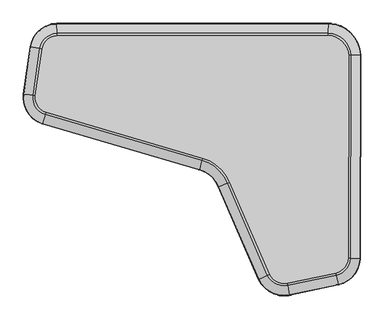
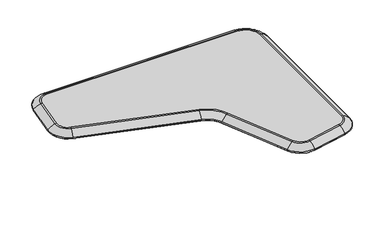
"""IFC4 building model written with IfcOpenShell, lengths in millimetres: furniture geometry."""

from ifc_helpers import new_model, si_unit, point, frame, origin, place, context, project, spatial, circle_curve, ellipse_curve, trimmed, source, transform, mapped, element, save
from ifc_brep_helpers import plane_surface, revolved_surface, advanced_brep


def furniture_55062422(model_context):
    return source(origin(), model_context, "Body", "AdvancedBrep", [
        advanced_brep(
        [(-326.2734197, 236.313272, 382.0000116), (-340.8694644, 135.3613504, 382.0000116), (-318.036121, 99.3831857, 382.0000116), (19.2076287, 0.5137168, 382.0000116), (77.9789493, -51.560041, 382.0000116), (164.0312249, -249.9087519, 382.0000116), (201.8039676, -269.2659264, 382.0000116), (306.3197361, -247.4260858, 382.0000116), (333.3066413, -215.515427, 382.0000116), (334.4394906, 221.7031439, 382.0000116), (290.4391448, 265.1286047, 382.0000116), (-294.8749357, 264.3265038, 382.0000116), (-295.2930613, 273.5770368, 354.9999882), (290.8319154, 274.380249, 354.9999882), (343.6851696, 222.2175473, 354.9999882), (342.5495304, -216.0777349, 354.9999882), (308.4088988, -256.4473157, 354.9999882), (203.502072, -278.3688727, 354.9999882), (155.6502234, -253.8465184, 354.9999882), (69.3776164, -54.989948, 354.9999882), (16.8383263, -8.4380203, 354.9999882), (-320.8751896, 90.5691696, 354.9999882), (-350.0534838, 136.5449801, 354.9999882), (-335.4165853, 237.7794621, 354.9999882), (-331.1795477, 237.1000145, 381.0864983), (-295.0992976, 269.290244, 381.0864983), (-296.0350244, 289.9920896, 366.9309372), (-351.6411148, 240.3812137, 366.9309372), (-296.0378132, 290.0537878, 363.1664435), (-351.7020969, 240.3909927, 363.1664435), (-295.3828969, 275.5645421, 355.1423835), (-337.3810224, 238.0944776, 355.1423835), (-345.7975141, 135.9964738, 381.0864983), (-366.3505081, 138.6453288, 366.9309372), (-366.4117627, 138.6532233, 363.1664435), (-352.0266984, 136.7992866, 355.1423835), (-319.5595358, 94.653676, 381.0864983), (-325.9131113, 74.9287152, 366.9309372), (-325.932047, 74.8699285, 363.1664435), (-321.4851721, 88.6754513, 355.1423835), (17.9362856, -4.2896926, 381.0864983), (12.6340037, -24.3228602, 366.9309372), (12.6182012, -24.3825655, 363.1664435), (16.3292744, -10.3613283, 355.1423835), (73.3635632, -53.4004936, 381.0864983), (54.1145678, -61.0763111, 366.9309372), (54.0571996, -61.0991876, 363.1664435), (67.5295937, -55.726874, 355.1423835), (159.5340663, -252.0217166, 381.0864983), (140.7781527, -260.8340773, 366.9309372), (140.722254, -260.860341, 363.1664435), (153.8495396, -254.6925595, 355.1423835), (202.7151528, -274.1504731, 381.0864983), (206.5153548, -294.5220332, 366.9309372), (206.5266807, -294.582747, 363.1664435), (203.8669149, -280.3246686, 355.1423835), (307.4407592, -252.2667843, 381.0864983), (312.1161138, -272.4554707, 366.9309372), (312.1300479, -272.5156395, 363.1664435), (308.8577618, -258.3855546, 355.1423835), (338.2662798, -215.8171556, 381.0864983), (358.9510192, -217.0755492, 366.9309372), (359.0126664, -217.0792996, 363.1664435), (344.5353934, -216.1985484, 355.1423835), (339.4006262, 221.9791674, 381.0864983), (360.0916089, 223.130355, 366.9309372), (360.1532747, 223.1337859, 363.1664435), (345.671632, 222.3280684, 355.1423835), (290.6499014, 270.0929412, 381.0864983), (291.5288862, 290.7972737, 366.9309372), (291.5315059, 290.8589793, 363.1664435), (290.9163034, 276.3679931, 355.1423835)],
        [
            (0, 1, circle_curve(frame((2940.3565075, -287.5206783, 382.0000116), z_axis=(0.0, 0.0, 1.0), x_axis=(-0.9873852508146507, 0.15833624497786172, 0.0)), 3308.3641107)),
            (1, 2, circle_curve(frame((-307.819268, 131.101865, 382.0000116), z_axis=(0.0, 0.0, 1.0), x_axis=(-0.9917971124491444, 0.1278220940899472, 0.0)), 33.3235457)),
            (2, 3, circle_curve(frame((1720.1229346, 6426.9396094, 382.0000116), z_axis=(0.0, 0.0, 1.0), x_axis=(-0.3065956132041128, -0.9518398657148134, 0.0)), 6647.7110821)),
            (3, 4, circle_curve(frame((-3.1361375, -83.9058646, 382.0000116), z_axis=(0.0, 0.0, -1.0), x_axis=(0.2558648059305415, 0.9667125741843469, 0.0)), 87.3264543)),
            (4, 5, circle_curve(frame((3437.3001245, 1288.0182586, 382.0000116), z_axis=(0.0, 0.0, 1.0), x_axis=(-0.9288718694858054, -0.37040120150715633, 0.0)), 3616.5603519)),
            (5, 6, circle_curve(frame((195.4401036, -235.1514666, 382.0000116), z_axis=(0.0, 0.0, 1.0), x_axis=(-0.9050779141305899, -0.42524577523241835, 0.0)), 34.7029556)),
            (6, 7, circle_curve(frame((-252.0380649, 2163.623219, 382.0000116), z_axis=(0.0, 0.0, 1.0), x_axis=(0.18338103849356904, -0.9830419089342123, 0.0)), 2474.8580129)),
            (7, 8, circle_curve(frame((298.4385244, -213.3941619, 382.0000116), z_axis=(0.0, 0.0, 1.0), x_axis=(0.22561205456829644, -0.9742172246647418, 0.0)), 34.9325828)),
            (8, 9, circle_curve(frame((-3419.9399199, 12.8201259, 382.0000116), z_axis=(0.0, 0.0, 1.0), x_axis=(0.9981545622542792, -0.06072454076374811, 0.0)), 3760.1857499)),
            (9, 10, circle_curve(frame((288.4870128, 219.1464784, 382.0000116), z_axis=(0.0, 0.0, 1.0), x_axis=(0.9984558371008476, 0.05555124984413626, 0.0)), 46.0235457)),
            (10, 11, circle_curve(frame((6.932852, -6412.8124726, 382.0000116), z_axis=(0.0, 0.0, 1.0), x_axis=(0.04241594002000567, 0.999100039051255, 0.0)), 6683.9563771)),
            (11, 0, circle_curve(frame((-293.3702422, 231.0369469, 382.0000116), z_axis=(0.0, 0.0, 1.0), x_axis=(-0.045154063049712374, 0.9989800351308842, 0.0)), 33.3235457)),
            (12, 13, circle_curve(frame((6.932852, -6412.8124726, 354.9999882), z_axis=(0.0, 0.0, -1.0), x_axis=(0.04241594002000567, 0.999100039051255, 0.0)), 6693.216355)),
            (13, 14, circle_curve(frame((288.4870128, 219.1464784, 354.9999882), z_axis=(0.0, 0.0, -1.0), x_axis=(0.9984558371008476, 0.05555124984413626, 0.0)), 55.2835236)),
            (14, 15, circle_curve(frame((-3419.9399199, 12.8201259, 354.9999882), z_axis=(0.0, 0.0, -1.0), x_axis=(0.9981545622542792, -0.06072454076374811, 0.0)), 3769.4457278)),
            (15, 16, circle_curve(frame((298.4385244, -213.3941619, 354.9999882), z_axis=(0.0, 0.0, -1.0), x_axis=(0.22561205456829644, -0.9742172246647418, 0.0)), 44.1925607)),
            (16, 17, circle_curve(frame((-252.0380649, 2163.623219, 354.9999882), z_axis=(0.0, 0.0, -1.0), x_axis=(0.18338103849356904, -0.9830419089342123, 0.0)), 2484.1179908)),
            (17, 18, circle_curve(frame((195.4401036, -235.1514666, 354.9999882), z_axis=(0.0, 0.0, -1.0), x_axis=(-0.9050779141305899, -0.42524577523241835, 0.0)), 43.9629335)),
            (18, 19, circle_curve(frame((3437.3001245, 1288.0182586, 354.9999882), z_axis=(0.0, 0.0, -1.0), x_axis=(-0.9288718694858054, -0.37040120150715633, 0.0)), 3625.8203297)),
            (19, 20, circle_curve(frame((-3.1361375, -83.9058646, 354.9999882), z_axis=(0.0, 0.0, 1.0), x_axis=(0.2558648059305415, 0.9667125741843469, 0.0)), 78.0664764)),
            (20, 21, circle_curve(frame((1720.1229346, 6426.9396094, 354.9999882), z_axis=(0.0, 0.0, -1.0), x_axis=(-0.3065956132041128, -0.9518398657148134, 0.0)), 6656.97106)),
            (21, 22, circle_curve(frame((-307.819268, 131.101865, 354.9999882), z_axis=(0.0, 0.0, -1.0), x_axis=(-0.9917971124491444, 0.1278220940899472, 0.0)), 42.5835236)),
            (22, 23, circle_curve(frame((2940.3565075, -287.5206783, 354.9999882), z_axis=(0.0, 0.0, -1.0), x_axis=(-0.9873852508146507, 0.15833624497786172, 0.0)), 3317.6240886)),
            (23, 12, circle_curve(frame((-293.3702422, 231.0369469, 354.9999882), z_axis=(0.0, 0.0, -1.0), x_axis=(-0.045154063049712374, 0.9989800351308842, 0.0)), 42.5835236)),
            (24, 0, circle_curve(frame((-326.2734197, 236.313272, 368.0300116), z_axis=(0.15833624497785626, 0.9873852508146514, 0.0), x_axis=(-0.9873852508146514, 0.15833624497785626, 0.0)), 13.97)),
            (11, 25, circle_curve(frame((-294.8749357, 264.3265038, 368.0300116), z_axis=(-0.9989800351308842, -0.04515406304971235, 0.0), x_axis=(-0.04515406304971235, 0.9989800351308842, 0.0)), 13.97)),
            (25, 24, circle_curve(frame((-293.3702422, 231.0369469, 381.0864983), z_axis=(0.0, 0.0, 1.0), x_axis=(-0.045154063049712374, 0.9989800351308842, 0.0)), 38.2923539)),
            (25, 26, circle_curve(frame((-294.2361198, 250.1934597, 330.8548383), z_axis=(-0.9989800351308842, -0.04515406304971235, 0.0), x_axis=(-0.04515406304971235, 0.9989800351308842, 0.0)), 53.7461805)),
            (26, 27, circle_curve(frame((-293.3702422, 231.0369469, 366.9309372), z_axis=(0.0, 0.0, 1.0), x_axis=(-0.045154063049712374, 0.9989800351308842, 0.0)), 59.0153363)),
            (27, 24, circle_curve(frame((-312.3044125, 234.0732141, 330.8548383), z_axis=(0.1583362449778576, 0.9873852508146512, 0.0), x_axis=(-0.9873852508146512, 0.1583362449778576, 0.0)), 53.7461805)),
            (26, 28, circle_curve(frame((-295.9394102, 287.8767381, 365.0134433), z_axis=(-0.9989800351308842, -0.04515406304971235, 0.0), x_axis=(-0.04515406304971235, 0.9989800351308842, 0.0)), 2.8566828)),
            (28, 29, circle_curve(frame((-293.3702422, 231.0369469, 363.1664435), z_axis=(0.0, 0.0, 1.0), x_axis=(-0.045154063049712374, 0.9989800351308842, 0.0)), 59.0770974)),
            (29, 27, circle_curve(frame((-349.5503154, 240.0459349, 365.0134433), z_axis=(0.15833624497785737, 0.9873852508146513, 0.0), x_axis=(-0.9873852508146513, 0.15833624497785737, 0.0)), 2.8566828)),
            (28, 30, circle_curve(frame((-295.2325717, 272.2387761, 378.2806249), z_axis=(-0.9989800351308842, -0.04515406304971235, 0.0), x_axis=(-0.04515406304971235, 0.9989800351308842, 0.0)), 23.3765168)),
            (30, 31, circle_curve(frame((-293.3702422, 231.0369469, 355.1423835), z_axis=(0.0, 0.0, 1.0), x_axis=(-0.045154063049712374, 0.9989800351308842, 0.0)), 44.5730581)),
            (31, 29, circle_curve(frame((-334.0938573, 237.5673506, 378.2806249), z_axis=(0.15833624497785626, 0.9873852508146514, 0.0), x_axis=(-0.9873852508146514, 0.15833624497785626, 0.0)), 23.3765168)),
            (30, 12, circle_curve(frame((-295.2930613, 273.5770368, 368.9699882), z_axis=(-0.9989800351308842, -0.04515406304971235, 0.0), x_axis=(-0.04515406304971235, 0.9989800351308842, 0.0)), 13.97)),
            (23, 31, circle_curve(frame((-335.4165853, 237.7794621, 368.9699882), z_axis=(0.15833624497785737, 0.9873852508146513, 0.0), x_axis=(-0.9873852508146513, 0.15833624497785737, 0.0)), 13.97)),
            (24, 32, circle_curve(frame((2940.3565075, -287.5206783, 381.0864983), z_axis=(0.0, 0.0, 1.0), x_axis=(-0.9873852508146507, 0.15833624497786172, 0.0)), 3313.3329189)),
            (32, 1, circle_curve(frame((-340.8694644, 135.3613504, 368.0300116), z_axis=(0.1278220940899731, 0.991797112449141, 0.0), x_axis=(-0.991797112449141, 0.1278220940899731, 0.0)), 13.97)),
            (27, 33, circle_curve(frame((2940.3565075, -287.5206783, 366.9309372), z_axis=(0.0, 0.0, 1.0), x_axis=(-0.9873852508146507, 0.15833624497786172, 0.0)), 3334.0559013)),
            (33, 32, circle_curve(frame((-326.8380405, 133.5529906, 330.8548383), z_axis=(0.12782209408997294, 0.991797112449141, 0.0), x_axis=(-0.991797112449141, 0.12782209408997294, 0.0)), 53.7461805)),
            (29, 34, circle_curve(frame((2940.3565075, -287.5206783, 363.1664435), z_axis=(0.0, 0.0, 1.0), x_axis=(-0.9873852508146507, 0.15833624497786172, 0.0)), 3334.1176624)),
            (34, 33, circle_curve(frame((-364.2503666, 138.3746641, 365.0134433), z_axis=(0.12782209408997294, 0.991797112449141, 0.0), x_axis=(-0.991797112449141, 0.12782209408997294, 0.0)), 2.8566828)),
            (31, 35, circle_curve(frame((2940.3565075, -287.5206783, 355.1423835), z_axis=(0.0, 0.0, 1.0), x_axis=(-0.9873852508146507, 0.15833624497786172, 0.0)), 3319.6136231)),
            (35, 34, circle_curve(frame((-348.7248455, 136.3737462, 378.2806249), z_axis=(0.12782209408997305, 0.991797112449141, 0.0), x_axis=(-0.991797112449141, 0.12782209408997305, 0.0)), 23.3765168)),
            (22, 35, circle_curve(frame((-350.0534838, 136.5449801, 368.9699882), z_axis=(0.12782209408997305, 0.991797112449141, 0.0), x_axis=(-0.991797112449141, 0.12782209408997305, 0.0)), 13.97)),
            (32, 36, circle_curve(frame((-307.819268, 131.101865, 381.0864983), z_axis=(0.0, 0.0, 1.0), x_axis=(-0.9917971124491444, 0.1278220940899472, 0.0)), 38.2923539)),
            (36, 2, circle_curve(frame((-318.036121, 99.3831857, 368.0300116), z_axis=(-0.9518398657147762, 0.30659561320422823, 0.0), x_axis=(-0.30659561320422823, -0.9518398657147762, 0.0)), 13.97)),
            (33, 37, circle_curve(frame((-307.819268, 131.101865, 366.9309372), z_axis=(0.0, 0.0, 1.0), x_axis=(-0.9917971124491444, 0.1278220940899472, 0.0)), 59.0153363)),
            (37, 36, circle_curve(frame((-313.6985675, 112.8493155, 330.8548383), z_axis=(-0.9518398657147895, 0.30659561320418705, 0.0), x_axis=(-0.30659561320418705, -0.9518398657147895, 0.0)), 53.7461805)),
            (34, 38, circle_curve(frame((-307.819268, 131.101865, 363.1664435), z_axis=(0.0, 0.0, 1.0), x_axis=(-0.9917971124491444, 0.1278220940899472, 0.0)), 59.0770974)),
            (38, 37, circle_curve(frame((-325.2638916, 76.9442469, 365.0134433), z_axis=(-0.9518398657147896, 0.3065956132041868, 0.0), x_axis=(-0.3065956132041868, -0.9518398657147896, 0.0)), 2.8566828)),
            (35, 39, circle_curve(frame((-307.819268, 131.101865, 355.1423835), z_axis=(0.0, 0.0, 1.0), x_axis=(-0.9917971124491444, 0.1278220940899472, 0.0)), 44.5730581)),
            (39, 38, circle_curve(frame((-320.4644658, 91.8442801, 378.2806249), z_axis=(-0.9518398657147806, 0.30659561320421475, 0.0), x_axis=(-0.30659561320421475, -0.9518398657147806, 0.0)), 23.3765168)),
            (21, 39, circle_curve(frame((-320.8751896, 90.5691696, 368.9699882), z_axis=(-0.9518398657147814, 0.30659561320421247, 0.0), x_axis=(-0.30659561320421247, -0.9518398657147814, 0.0)), 13.97)),
            (36, 40, circle_curve(frame((1720.1229346, 6426.9396094, 381.0864983), z_axis=(0.0, 0.0, 1.0), x_axis=(-0.3065956132041128, -0.9518398657148134, 0.0)), 6652.6798903)),
            (40, 3, circle_curve(frame((19.2076287, 0.5137168, 368.0300116), z_axis=(-0.9667125741843443, 0.25586480593055067, 0.0), x_axis=(-0.25586480593055067, -0.9667125741843443, 0.0)), 13.97)),
            (37, 41, circle_curve(frame((1720.1229346, 6426.9396094, 366.9309372), z_axis=(0.0, 0.0, 1.0), x_axis=(-0.3065956132041128, -0.9518398657148134, 0.0)), 6673.4028726)),
            (41, 40, circle_curve(frame((22.8274694, 14.1902578, 330.8548383), z_axis=(-0.9667125741843444, 0.2558648059305506, 0.0), x_axis=(-0.2558648059305506, -0.9667125741843444, 0.0)), 53.7461805)),
            (38, 42, circle_curve(frame((1720.1229346, 6426.9396094, 363.1664435), z_axis=(0.0, 0.0, 1.0), x_axis=(-0.3065956132041128, -0.9518398657148134, 0.0)), 6673.4646338)),
            (42, 41, circle_curve(frame((13.1758003, -22.2758354, 365.0134433), z_axis=(-0.9667125741843444, 0.25586480593055055, 0.0), x_axis=(-0.25586480593055055, -0.9667125741843444, 0.0)), 2.8566828)),
            (39, 43, circle_curve(frame((1720.1229346, 6426.9396094, 355.1423835), z_axis=(0.0, 0.0, 1.0), x_axis=(-0.3065956132041128, -0.9518398657148134, 0.0)), 6658.9605945)),
            (43, 42, circle_curve(frame((17.1810897, -7.1429859, 378.2806249), z_axis=(-0.9667125741843444, 0.25586480593055055, 0.0), x_axis=(-0.25586480593055055, -0.9667125741843444, 0.0)), 23.3765168)),
            (20, 43, circle_curve(frame((16.8383263, -8.4380203, 368.9699882), z_axis=(-0.9667125741843444, 0.2558648059305506, 0.0), x_axis=(-0.2558648059305506, -0.9667125741843444, 0.0)), 13.97)),
            (40, 44, circle_curve(frame((-3.1361375, -83.9058646, 381.0864983), z_axis=(0.0, 0.0, -1.0), x_axis=(0.2558648059305415, 0.9667125741843469, 0.0)), 82.3576461)),
            (44, 4, circle_curve(frame((77.9789493, -51.560041, 368.0300116), z_axis=(-0.3704012015071665, 0.9288718694858014, 0.0), x_axis=(-0.9288718694858014, -0.3704012015071665, 0.0)), 13.97)),
            (41, 45, circle_curve(frame((-3.1361375, -83.9058646, 366.9309372), z_axis=(0.0, 0.0, -1.0), x_axis=(0.2558648059305415, 0.9667125741843469, 0.0)), 61.6346637)),
            (45, 44, circle_curve(frame((91.12014, -46.3197997, 330.8548383), z_axis=(-0.37040120150716915, 0.9288718694858003, 0.0), x_axis=(-0.9288718694858003, -0.37040120150716915, 0.0)), 53.7461805)),
            (42, 46, circle_curve(frame((-3.1361375, -83.9058646, 363.1664435), z_axis=(0.0, 0.0, -1.0), x_axis=(0.2558648059305415, 0.9667125741843469, 0.0)), 61.5729026)),
            (46, 45, circle_curve(frame((56.0814644, -60.2919824, 365.0134433), z_axis=(-0.37040120150716715, 0.928871869485801, 0.0), x_axis=(-0.928871869485801, -0.37040120150716715, 0.0)), 2.8566828)),
            (43, 47, circle_curve(frame((-3.1361375, -83.9058646, 355.1423835), z_axis=(0.0, 0.0, -1.0), x_axis=(0.2558648059305415, 0.9667125741843469, 0.0)), 76.0769419)),
            (47, 46, circle_curve(frame((70.6219583, -54.4937485, 378.2806249), z_axis=(-0.37040120150716793, 0.9288718694858007, 0.0), x_axis=(-0.9288718694858007, -0.37040120150716793, 0.0)), 23.3765168)),
            (19, 47, circle_curve(frame((69.3776164, -54.989948, 368.9699882), z_axis=(-0.3704012015071686, 0.9288718694858005, 0.0), x_axis=(-0.9288718694858005, -0.3704012015071686, 0.0)), 13.97)),
            (44, 48, circle_curve(frame((3437.3001245, 1288.0182586, 381.0864983), z_axis=(0.0, 0.0, 1.0), x_axis=(-0.9288718694858054, -0.37040120150715633, 0.0)), 3621.5291601)),
            (48, 5, circle_curve(frame((164.0312249, -249.9087519, 368.0300116), z_axis=(-0.4252457752324184, 0.90507791413059, 0.0), x_axis=(-0.90507791413059, -0.4252457752324184, 0.0)), 13.97)),
            (45, 49, circle_curve(frame((3437.3001245, 1288.0182586, 366.9309372), z_axis=(0.0, 0.0, 1.0), x_axis=(-0.9288718694858054, -0.37040120150715633, 0.0)), 3642.2521424)),
            (49, 48, circle_curve(frame((176.8357912, -243.8925983, 330.8548383), z_axis=(-0.42524577523241847, 0.9050779141305899, 0.0), x_axis=(-0.9050779141305899, -0.42524577523241847, 0.0)), 53.7461805)),
            (46, 50, circle_curve(frame((3437.3001245, 1288.0182586, 363.1664435), z_axis=(0.0, 0.0, 1.0), x_axis=(-0.9288718694858054, -0.37040120150715633, 0.0)), 3642.3139036)),
            (50, 49, circle_curve(frame((142.6946653, -259.9336146, 365.0134433), z_axis=(-0.4252457752324185, 0.9050779141305899, 0.0), x_axis=(-0.9050779141305899, -0.4252457752324185, 0.0)), 2.8566828)),
            (47, 51, circle_curve(frame((3437.3001245, 1288.0182586, 355.1423835), z_axis=(0.0, 0.0, 1.0), x_axis=(-0.9288718694858054, -0.37040120150715633, 0.0)), 3627.8098643)),
            (51, 50, circle_curve(frame((156.8626903, -253.2768476, 378.2806249), z_axis=(-0.42524577523241847, 0.9050779141305899, 0.0), x_axis=(-0.9050779141305899, -0.42524577523241847, 0.0)), 23.3765168)),
            (18, 51, circle_curve(frame((155.6502234, -253.8465184, 368.9699882), z_axis=(-0.4252457752324186, 0.9050779141305899, 0.0), x_axis=(-0.9050779141305899, -0.4252457752324186, 0.0)), 13.97)),
            (48, 52, circle_curve(frame((195.4401036, -235.1514666, 381.0864983), z_axis=(0.0, 0.0, 1.0), x_axis=(-0.9050779141305899, -0.42524577523241835, 0.0)), 39.6717638)),
            (52, 6, circle_curve(frame((201.8039676, -269.2659264, 368.0300116), z_axis=(-0.9830419089342192, -0.1833810384935328, 0.0), x_axis=(0.1833810384935328, -0.9830419089342192, 0.0)), 13.97)),
            (49, 53, circle_curve(frame((195.4401036, -235.1514666, 366.9309372), z_axis=(0.0, 0.0, 1.0), x_axis=(-0.9050779141305899, -0.42524577523241835, 0.0)), 60.3947462)),
            (53, 52, circle_curve(frame((199.2095891, -255.3583665, 330.8548383), z_axis=(-0.9830419089342167, -0.18338103849354476, 0.0), x_axis=(0.18338103849354476, -0.9830419089342167, 0.0)), 53.7461805)),
            (50, 54, circle_curve(frame((195.4401036, -235.1514666, 363.1664435), z_axis=(0.0, 0.0, 1.0), x_axis=(-0.9050779141305899, -0.42524577523241835, 0.0)), 60.4565074)),
            (54, 53, circle_curve(frame((206.1270434, -292.4404309, 365.0134433), z_axis=(-0.9830419089342167, -0.18338103849354517, 0.0), x_axis=(0.18338103849354517, -0.9830419089342167, 0.0)), 2.8566828)),
            (51, 55, circle_curve(frame((195.4401036, -235.1514666, 355.1423835), z_axis=(0.0, 0.0, 1.0), x_axis=(-0.9050779141305899, -0.42524577523241835, 0.0)), 45.9524681)),
            (55, 54, circle_curve(frame((203.2564098, -277.0519631, 378.2806249), z_axis=(-0.9830419089342182, -0.183381038493538, 0.0), x_axis=(0.183381038493538, -0.9830419089342182, 0.0)), 23.3765168)),
            (17, 55, circle_curve(frame((203.502072, -278.3688727, 368.9699882), z_axis=(-0.9830419089342183, -0.18338103849353757, 0.0), x_axis=(0.18338103849353757, -0.9830419089342183, 0.0)), 13.97)),
            (52, 56, circle_curve(frame((-252.0380649, 2163.623219, 381.0864983), z_axis=(0.0, 0.0, 1.0), x_axis=(0.18338103849356904, -0.9830419089342123, 0.0)), 2479.8268211)),
            (56, 7, circle_curve(frame((306.3197361, -247.4260858, 368.0300116), z_axis=(-0.9742172246647434, -0.22561205456828987, 0.0), x_axis=(0.22561205456828987, -0.9742172246647434, 0.0)), 13.97)),
            (53, 57, circle_curve(frame((-252.0380649, 2163.623219, 366.9309372), z_axis=(0.0, 0.0, 1.0), x_axis=(0.18338103849356904, -0.9830419089342123, 0.0)), 2500.5498035)),
            (57, 56, circle_curve(frame((303.1278955, -233.6433729, 330.8548383), z_axis=(-0.9742172246647434, -0.22561205456828987, 0.0), x_axis=(0.22561205456828987, -0.9742172246647434, 0.0)), 53.7461805)),
            (54, 58, circle_curve(frame((-252.0380649, 2163.623219, 363.1664435), z_axis=(0.0, 0.0, 1.0), x_axis=(0.18338103849356904, -0.9830419089342123, 0.0)), 2500.6115647)),
            (58, 57, circle_curve(frame((311.6383777, -270.3925547, 365.0134433), z_axis=(-0.9742172246647434, -0.22561205456828987, 0.0), x_axis=(0.22561205456828987, -0.9742172246647434, 0.0)), 2.8566828)),
            (55, 59, circle_curve(frame((-252.0380649, 2163.623219, 355.1423835), z_axis=(0.0, 0.0, 1.0), x_axis=(0.18338103849356904, -0.9830419089342123, 0.0)), 2486.1075254)),
            (59, 58, circle_curve(frame((308.1066628, -255.142228, 378.2806249), z_axis=(-0.9742172246647434, -0.2256120545682899, 0.0), x_axis=(0.2256120545682899, -0.9742172246647434, 0.0)), 23.3765168)),
            (16, 59, circle_curve(frame((308.4088988, -256.4473157, 368.9699882), z_axis=(-0.9742172246647433, -0.22561205456828987, 0.0), x_axis=(0.22561205456828987, -0.9742172246647433, 0.0)), 13.97)),
            (56, 60, circle_curve(frame((298.4385244, -213.3941619, 381.0864983), z_axis=(0.0, 0.0, 1.0), x_axis=(0.22561205456829644, -0.9742172246647418, 0.0)), 39.901391)),
            (60, 8, circle_curve(frame((333.3066413, -215.515427, 368.0300116), z_axis=(-0.06072454076320166, -0.9981545622543124, 0.0), x_axis=(0.9981545622543124, -0.06072454076320166, 0.0)), 13.97)),
            (57, 61, circle_curve(frame((298.4385244, -213.3941619, 366.9309372), z_axis=(0.0, 0.0, 1.0), x_axis=(0.22561205456829644, -0.9742172246647418, 0.0)), 60.6243734)),
            (61, 60, circle_curve(frame((319.1852755, -214.6563281, 330.8548383), z_axis=(-0.06072454076338912, -0.9981545622543011, 0.0), x_axis=(0.9981545622543011, -0.06072454076338912, 0.0)), 53.7461805)),
            (58, 62, circle_curve(frame((298.4385244, -213.3941619, 363.1664435), z_axis=(0.0, 0.0, 1.0), x_axis=(0.22561205456829644, -0.9742172246647418, 0.0)), 60.6861346)),
            (62, 61, circle_curve(frame((356.8374157, -216.9469643, 365.0134433), z_axis=(-0.06072454076338976, -0.998154562254301, 0.0), x_axis=(0.998154562254301, -0.06072454076338976, 0.0)), 2.8566828)),
            (59, 63, circle_curve(frame((298.4385244, -213.3941619, 355.1423835), z_axis=(0.0, 0.0, 1.0), x_axis=(0.22561205456829644, -0.9742172246647418, 0.0)), 46.1820953)),
            (63, 62, circle_curve(frame((341.2123756, -215.9963866, 378.2806249), z_axis=(-0.06072454076327741, -0.9981545622543079, 0.0), x_axis=(0.9981545622543079, -0.06072454076327741, 0.0)), 23.3765168)),
            (15, 63, circle_curve(frame((342.5495304, -216.0777349, 368.9699882), z_axis=(-0.060724540763255036, -0.9981545622543092, 0.0), x_axis=(0.9981545622543092, -0.060724540763255036, 0.0)), 13.97)),
            (60, 64, circle_curve(frame((-3419.9399199, 12.8201259, 381.0864983), z_axis=(0.0, 0.0, 1.0), x_axis=(0.9981545622542792, -0.06072454076374811, 0.0)), 3765.1545581)),
            (64, 9, circle_curve(frame((334.4394906, 221.7031439, 368.0300116), z_axis=(0.05555124984413643, -0.9984558371008476, 0.0), x_axis=(0.9984558371008476, 0.05555124984413643, 0.0)), 13.97)),
            (61, 65, circle_curve(frame((-3419.9399199, 12.8201259, 366.9309372), z_axis=(0.0, 0.0, 1.0), x_axis=(0.9981545622542792, -0.06072454076374811, 0.0)), 3785.8775404)),
            (65, 64, circle_curve(frame((320.3138626, 220.9172341, 330.8548383), z_axis=(0.05555124984413642, -0.9984558371008476, 0.0), x_axis=(0.9984558371008476, 0.05555124984413642, 0.0)), 53.7461805)),
            (62, 66, circle_curve(frame((-3419.9399199, 12.8201259, 363.1664435), z_axis=(0.0, 0.0, 1.0), x_axis=(0.9981545622542792, -0.06072454076374811, 0.0)), 3785.9393016)),
            (66, 65, circle_curve(frame((357.9773674, 223.0127246, 365.0134433), z_axis=(0.055551249844136404, -0.9984558371008476, 0.0), x_axis=(0.9984558371008476, 0.055551249844136404, 0.0)), 2.8566828)),
            (63, 67, circle_curve(frame((-3419.9399199, 12.8201259, 355.1423835), z_axis=(0.0, 0.0, 1.0), x_axis=(0.9981545622542792, -0.06072454076374811, 0.0)), 3771.4352623)),
            (67, 66, circle_curve(frame((342.3476111, 222.1431293, 378.2806249), z_axis=(0.055551249844136445, -0.9984558371008476, 0.0), x_axis=(0.9984558371008476, 0.055551249844136445, 0.0)), 23.3765168)),
            (14, 67, circle_curve(frame((343.6851696, 222.2175473, 368.9699882), z_axis=(0.05555124984413642, -0.9984558371008476, 0.0), x_axis=(0.9984558371008476, 0.05555124984413642, 0.0)), 13.97)),
            (64, 68, circle_curve(frame((288.4870128, 219.1464784, 381.0864983), z_axis=(0.0, 0.0, 1.0), x_axis=(0.9984558371008476, 0.05555124984413626, 0.0)), 50.9923539)),
            (68, 10, circle_curve(frame((290.4391448, 265.1286047, 368.0300116), z_axis=(0.9991000390512869, -0.04241594001925698, 0.0), x_axis=(0.04241594001925698, 0.9991000390512869, 0.0)), 13.97)),
            (65, 69, circle_curve(frame((288.4870128, 219.1464784, 366.9309372), z_axis=(0.0, 0.0, 1.0), x_axis=(0.9984558371008476, 0.05555124984413626, 0.0)), 71.7153363)),
            (69, 68, circle_curve(frame((289.8390663, 250.9938629, 330.8548383), z_axis=(0.9991000390512776, -0.04241594001947329, 0.0), x_axis=(0.04241594001947329, 0.9991000390512776, 0.0)), 53.7461805)),
            (66, 70, circle_curve(frame((288.4870128, 219.1464784, 363.1664435), z_axis=(0.0, 0.0, 1.0), x_axis=(0.9984558371008476, 0.05555124984413626, 0.0)), 71.7770974)),
            (70, 69, circle_curve(frame((291.43907, 288.6816681, 365.0134433), z_axis=(0.9991000390512776, -0.04241594001947351, 0.0), x_axis=(0.04241594001947351, 0.9991000390512776, 0.0)), 2.8566828)),
            (67, 71, circle_curve(frame((288.4870128, 219.1464784, 355.1423835), z_axis=(0.0, 0.0, 1.0), x_axis=(0.9984558371008476, 0.05555124984413626, 0.0)), 57.2730581)),
            (71, 70, circle_curve(frame((290.7750939, 273.0418275, 378.2806249), z_axis=(0.9991000390512833, -0.04241594001933907, 0.0), x_axis=(0.04241594001933907, 0.9991000390512833, 0.0)), 23.3765168)),
            (13, 71, circle_curve(frame((290.8319154, 274.380249, 368.9699882), z_axis=(0.9991000390512844, -0.04241594001931444, 0.0), x_axis=(0.04241594001931444, 0.9991000390512844, 0.0)), 13.97)),
            (68, 25, circle_curve(frame((6.932852, -6412.8124726, 381.0864983), z_axis=(0.0, 0.0, 1.0), x_axis=(0.04241594002000567, 0.999100039051255, 0.0)), 6688.9251853)),
            (69, 26, circle_curve(frame((6.932852, -6412.8124726, 366.9309372), z_axis=(0.0, 0.0, 1.0), x_axis=(0.04241594002000567, 0.999100039051255, 0.0)), 6709.6481677)),
            (70, 28, circle_curve(frame((6.932852, -6412.8124726, 363.1664435), z_axis=(0.0, 0.0, 1.0), x_axis=(0.04241594002000567, 0.999100039051255, 0.0)), 6709.7099289)),
            (71, 30, circle_curve(frame((6.932852, -6412.8124726, 355.1423835), z_axis=(0.0, 0.0, 1.0), x_axis=(0.04241594002000567, 0.999100039051255, 0.0)), 6695.2058896)),
        ],
        [
            plane_surface(frame((-261.6202422, 231.0369469, 382.0000116), z_axis=(0.0, 0.0, 1.0), x_axis=(0.0, -1.0, 0.0))),
            plane_surface(frame((-261.6202422, 231.0369469, 354.9999882), z_axis=(0.0, 0.0, -1.0), x_axis=(0.0, 1.0, 0.0))),
            revolved_surface(trimmed(ellipse_curve(frame((-294.8749357, 264.3265038, 368.0300116), z_axis=(-0.9989800351308842, -0.04515406304971235, 0.0), x_axis=(-0.04515406304971235, 0.9989800351308842, 0.0)), 13.97, 13.97), [point((-294.8749357, 264.3265038, 382.0000116))], [point((-295.0992976, 269.290244, 381.0864983))], True, "CARTESIAN"), (-293.3702422, 231.0369469, 382.0000116), (0.0, 0.0, -1.0)),
            revolved_surface(trimmed(ellipse_curve(frame((-294.2361198, 250.1934597, 330.8548383), z_axis=(-0.9989800351308842, -0.04515406304971235, 0.0), x_axis=(-0.04515406304971235, 0.9989800351308842, 0.0)), 53.7461805, 53.7461805), [point((-295.0992976, 269.290244, 381.0864983))], [point((-296.0350244, 289.9920896, 366.9309372))], True, "CARTESIAN"), (-293.3702422, 231.0369469, 382.0000116), (0.0, 0.0, -1.0)),
            revolved_surface(trimmed(ellipse_curve(frame((-295.9394102, 287.8767381, 365.0134433), z_axis=(-0.9989800351308842, -0.04515406304971235, 0.0), x_axis=(-0.04515406304971235, 0.9989800351308842, 0.0)), 2.8566828, 2.8566828), [point((-296.0350244, 289.9920896, 366.9309372))], [point((-296.0378132, 290.0537878, 363.1664435))], True, "CARTESIAN"), (-293.3702422, 231.0369469, 382.0000116), (0.0, 0.0, -1.0)),
            revolved_surface(trimmed(ellipse_curve(frame((-295.2325717, 272.2387761, 378.2806249), z_axis=(-0.9989800351308842, -0.04515406304971235, 0.0), x_axis=(-0.04515406304971235, 0.9989800351308842, 0.0)), 23.3765168, 23.3765168), [point((-296.0378132, 290.0537878, 363.1664435))], [point((-295.3828969, 275.5645421, 355.1423835))], True, "CARTESIAN"), (-293.3702422, 231.0369469, 382.0000116), (0.0, 0.0, -1.0)),
            revolved_surface(trimmed(ellipse_curve(frame((-295.2930613, 273.5770368, 368.9699882), z_axis=(-0.9989800351308842, -0.04515406304971235, 0.0), x_axis=(-0.04515406304971235, 0.9989800351308842, 0.0)), 13.97, 13.97), [point((-295.3828969, 275.5645421, 355.1423835))], [point((-295.2930613, 273.5770368, 354.9999882))], True, "CARTESIAN"), (-293.3702422, 231.0369469, 382.0000116), (0.0, 0.0, -1.0)),
            revolved_surface(trimmed(ellipse_curve(frame((-326.2734197, 236.313272, 368.0300116), z_axis=(-0.15833624497786175, -0.9873852508146507, 0.0), x_axis=(-0.9873852508146507, 0.15833624497786175, 0.0)), 13.97, 13.97), [point((-326.2734197, 236.313272, 382.0000116))], [point((-331.1795477, 237.1000145, 381.0864983))], True, "CARTESIAN"), (2940.3565075, -287.5206783, 382.0000116), (0.0, 0.0, -1.0)),
            revolved_surface(trimmed(ellipse_curve(frame((-312.3044125, 234.0732141, 330.8548383), z_axis=(-0.15833624497786175, -0.9873852508146507, 0.0), x_axis=(-0.9873852508146507, 0.15833624497786175, 0.0)), 53.7461805, 53.7461805), [point((-331.1795477, 237.1000145, 381.0864983))], [point((-351.6411148, 240.3812137, 366.9309372))], True, "CARTESIAN"), (2940.3565075, -287.5206783, 382.0000116), (0.0, 0.0, -1.0)),
            revolved_surface(trimmed(ellipse_curve(frame((-349.5503154, 240.0459349, 365.0134433), z_axis=(-0.15833624497786175, -0.9873852508146507, 0.0), x_axis=(-0.9873852508146507, 0.15833624497786175, 0.0)), 2.8566828, 2.8566828), [point((-351.6411148, 240.3812137, 366.9309372))], [point((-351.7020969, 240.3909927, 363.1664435))], True, "CARTESIAN"), (2940.3565075, -287.5206783, 382.0000116), (0.0, 0.0, -1.0)),
            revolved_surface(trimmed(ellipse_curve(frame((-334.0938573, 237.5673506, 378.2806249), z_axis=(-0.15833624497786175, -0.9873852508146507, 0.0), x_axis=(-0.9873852508146507, 0.15833624497786175, 0.0)), 23.3765168, 23.3765168), [point((-351.7020969, 240.3909927, 363.1664435))], [point((-337.3810224, 238.0944776, 355.1423835))], True, "CARTESIAN"), (2940.3565075, -287.5206783, 382.0000116), (0.0, 0.0, -1.0)),
            revolved_surface(trimmed(ellipse_curve(frame((-335.4165853, 237.7794621, 368.9699882), z_axis=(-0.15833624497786175, -0.9873852508146507, 0.0), x_axis=(-0.9873852508146507, 0.15833624497786175, 0.0)), 13.97, 13.97), [point((-337.3810224, 238.0944776, 355.1423835))], [point((-335.4165853, 237.7794621, 354.9999882))], True, "CARTESIAN"), (2940.3565075, -287.5206783, 382.0000116), (0.0, 0.0, -1.0)),
            revolved_surface(trimmed(ellipse_curve(frame((-340.8694644, 135.3613504, 368.0300116), z_axis=(-0.12782209408994724, -0.9917971124491444, 0.0), x_axis=(-0.9917971124491444, 0.12782209408994724, 0.0)), 13.97, 13.97), [point((-340.8694644, 135.3613504, 382.0000116))], [point((-345.7975141, 135.9964738, 381.0864983))], True, "CARTESIAN"), (-307.819268, 131.101865, 382.0000116), (0.0, 0.0, -1.0)),
            revolved_surface(trimmed(ellipse_curve(frame((-326.8380405, 133.5529906, 330.8548383), z_axis=(-0.12782209408994724, -0.9917971124491444, 0.0), x_axis=(-0.9917971124491444, 0.12782209408994724, 0.0)), 53.7461805, 53.7461805), [point((-345.7975141, 135.9964738, 381.0864983))], [point((-366.3505081, 138.6453288, 366.9309372))], True, "CARTESIAN"), (-307.819268, 131.101865, 382.0000116), (0.0, 0.0, -1.0)),
            revolved_surface(trimmed(ellipse_curve(frame((-364.2503666, 138.3746641, 365.0134433), z_axis=(-0.12782209408994724, -0.9917971124491444, 0.0), x_axis=(-0.9917971124491444, 0.12782209408994724, 0.0)), 2.8566828, 2.8566828), [point((-366.3505081, 138.6453288, 366.9309372))], [point((-366.4117627, 138.6532233, 363.1664435))], True, "CARTESIAN"), (-307.819268, 131.101865, 382.0000116), (0.0, 0.0, -1.0)),
            revolved_surface(trimmed(ellipse_curve(frame((-348.7248455, 136.3737462, 378.2806249), z_axis=(-0.12782209408994724, -0.9917971124491444, 0.0), x_axis=(-0.9917971124491444, 0.12782209408994724, 0.0)), 23.3765168, 23.3765168), [point((-366.4117627, 138.6532233, 363.1664435))], [point((-352.0266984, 136.7992866, 355.1423835))], True, "CARTESIAN"), (-307.819268, 131.101865, 382.0000116), (0.0, 0.0, -1.0)),
            revolved_surface(trimmed(ellipse_curve(frame((-350.0534838, 136.5449801, 368.9699882), z_axis=(-0.12782209408994724, -0.9917971124491444, 0.0), x_axis=(-0.9917971124491444, 0.12782209408994724, 0.0)), 13.97, 13.97), [point((-352.0266984, 136.7992866, 355.1423835))], [point((-350.0534838, 136.5449801, 354.9999882))], True, "CARTESIAN"), (-307.819268, 131.101865, 382.0000116), (0.0, 0.0, -1.0)),
            revolved_surface(trimmed(ellipse_curve(frame((-318.036121, 99.3831857, 368.0300116), z_axis=(0.9518398657148134, -0.30659561320411294, 0.0), x_axis=(-0.30659561320411294, -0.9518398657148134, 0.0)), 13.97, 13.97), [point((-318.036121, 99.3831857, 382.0000116))], [point((-319.5595358, 94.653676, 381.0864983))], True, "CARTESIAN"), (1720.1229346, 6426.9396094, 382.0000116), (0.0, 0.0, -1.0)),
            revolved_surface(trimmed(ellipse_curve(frame((-313.6985675, 112.8493155, 330.8548383), z_axis=(0.9518398657148134, -0.30659561320411294, 0.0), x_axis=(-0.30659561320411294, -0.9518398657148134, 0.0)), 53.7461805, 53.7461805), [point((-319.5595358, 94.653676, 381.0864983))], [point((-325.9131113, 74.9287152, 366.9309372))], True, "CARTESIAN"), (1720.1229346, 6426.9396094, 382.0000116), (0.0, 0.0, -1.0)),
            revolved_surface(trimmed(ellipse_curve(frame((-325.2638916, 76.9442469, 365.0134433), z_axis=(0.9518398657148134, -0.30659561320411294, 0.0), x_axis=(-0.30659561320411294, -0.9518398657148134, 0.0)), 2.8566828, 2.8566828), [point((-325.9131113, 74.9287152, 366.9309372))], [point((-325.932047, 74.8699285, 363.1664435))], True, "CARTESIAN"), (1720.1229346, 6426.9396094, 382.0000116), (0.0, 0.0, -1.0)),
            revolved_surface(trimmed(ellipse_curve(frame((-320.4644658, 91.8442801, 378.2806249), z_axis=(0.9518398657148134, -0.30659561320411294, 0.0), x_axis=(-0.30659561320411294, -0.9518398657148134, 0.0)), 23.3765168, 23.3765168), [point((-325.932047, 74.8699285, 363.1664435))], [point((-321.4851721, 88.6754513, 355.1423835))], True, "CARTESIAN"), (1720.1229346, 6426.9396094, 382.0000116), (0.0, 0.0, -1.0)),
            revolved_surface(trimmed(ellipse_curve(frame((-320.8751896, 90.5691696, 368.9699882), z_axis=(0.9518398657148134, -0.30659561320411294, 0.0), x_axis=(-0.30659561320411294, -0.9518398657148134, 0.0)), 13.97, 13.97), [point((-321.4851721, 88.6754513, 355.1423835))], [point((-320.8751896, 90.5691696, 354.9999882))], True, "CARTESIAN"), (1720.1229346, 6426.9396094, 382.0000116), (0.0, 0.0, -1.0)),
            revolved_surface(trimmed(ellipse_curve(frame((19.2076287, 0.5137168, 368.0300116), z_axis=(0.9667125741843469, -0.2558648059305416, 0.0), x_axis=(-0.2558648059305416, -0.9667125741843469, 0.0)), 13.97, 13.97), [point((19.2076287, 0.5137168, 382.0000116))], [point((17.9362856, -4.2896926, 381.0864983))], True, "CARTESIAN"), (-3.1361375, -83.9058646, 382.0000116), (0.0, 0.0, 1.0)),
            revolved_surface(trimmed(ellipse_curve(frame((22.8274694, 14.1902578, 330.8548383), z_axis=(0.9667125741843469, -0.2558648059305416, 0.0), x_axis=(-0.2558648059305416, -0.9667125741843469, 0.0)), 53.7461805, 53.7461805), [point((17.9362856, -4.2896926, 381.0864983))], [point((12.6340037, -24.3228602, 366.9309372))], True, "CARTESIAN"), (-3.1361375, -83.9058646, 382.0000116), (0.0, 0.0, 1.0)),
            revolved_surface(trimmed(ellipse_curve(frame((13.1758003, -22.2758354, 365.0134433), z_axis=(0.9667125741843469, -0.2558648059305416, 0.0), x_axis=(-0.2558648059305416, -0.9667125741843469, 0.0)), 2.8566828, 2.8566828), [point((12.6340037, -24.3228602, 366.9309372))], [point((12.6182012, -24.3825655, 363.1664435))], True, "CARTESIAN"), (-3.1361375, -83.9058646, 382.0000116), (0.0, 0.0, 1.0)),
            revolved_surface(trimmed(ellipse_curve(frame((17.1810897, -7.1429859, 378.2806249), z_axis=(0.9667125741843469, -0.2558648059305416, 0.0), x_axis=(-0.2558648059305416, -0.9667125741843469, 0.0)), 23.3765168, 23.3765168), [point((12.6182012, -24.3825655, 363.1664435))], [point((16.3292744, -10.3613283, 355.1423835))], True, "CARTESIAN"), (-3.1361375, -83.9058646, 382.0000116), (0.0, 0.0, 1.0)),
            revolved_surface(trimmed(ellipse_curve(frame((16.8383263, -8.4380203, 368.9699882), z_axis=(0.9667125741843469, -0.2558648059305416, 0.0), x_axis=(-0.2558648059305416, -0.9667125741843469, 0.0)), 13.97, 13.97), [point((16.3292744, -10.3613283, 355.1423835))], [point((16.8383263, -8.4380203, 354.9999882))], True, "CARTESIAN"), (-3.1361375, -83.9058646, 382.0000116), (0.0, 0.0, 1.0)),
            revolved_surface(trimmed(ellipse_curve(frame((77.9789493, -51.560041, 368.0300116), z_axis=(0.3704012015071562, -0.9288718694858054, 0.0), x_axis=(-0.9288718694858054, -0.3704012015071562, 0.0)), 13.97, 13.97), [point((77.9789493, -51.560041, 382.0000116))], [point((73.3635632, -53.4004936, 381.0864983))], True, "CARTESIAN"), (3437.3001245, 1288.0182586, 382.0000116), (0.0, 0.0, -1.0)),
            revolved_surface(trimmed(ellipse_curve(frame((91.12014, -46.3197997, 330.8548383), z_axis=(0.3704012015071562, -0.9288718694858054, 0.0), x_axis=(-0.9288718694858054, -0.3704012015071562, 0.0)), 53.7461805, 53.7461805), [point((73.3635632, -53.4004936, 381.0864983))], [point((54.1145678, -61.0763111, 366.9309372))], True, "CARTESIAN"), (3437.3001245, 1288.0182586, 382.0000116), (0.0, 0.0, -1.0)),
            revolved_surface(trimmed(ellipse_curve(frame((56.0814644, -60.2919824, 365.0134433), z_axis=(0.3704012015071562, -0.9288718694858054, 0.0), x_axis=(-0.9288718694858054, -0.3704012015071562, 0.0)), 2.8566828, 2.8566828), [point((54.1145678, -61.0763111, 366.9309372))], [point((54.0571996, -61.0991876, 363.1664435))], True, "CARTESIAN"), (3437.3001245, 1288.0182586, 382.0000116), (0.0, 0.0, -1.0)),
            revolved_surface(trimmed(ellipse_curve(frame((70.6219583, -54.4937485, 378.2806249), z_axis=(0.3704012015071562, -0.9288718694858054, 0.0), x_axis=(-0.9288718694858054, -0.3704012015071562, 0.0)), 23.3765168, 23.3765168), [point((54.0571996, -61.0991876, 363.1664435))], [point((67.5295937, -55.726874, 355.1423835))], True, "CARTESIAN"), (3437.3001245, 1288.0182586, 382.0000116), (0.0, 0.0, -1.0)),
            revolved_surface(trimmed(ellipse_curve(frame((69.3776164, -54.989948, 368.9699882), z_axis=(0.3704012015071562, -0.9288718694858054, 0.0), x_axis=(-0.9288718694858054, -0.3704012015071562, 0.0)), 13.97, 13.97), [point((67.5295937, -55.726874, 355.1423835))], [point((69.3776164, -54.989948, 354.9999882))], True, "CARTESIAN"), (3437.3001245, 1288.0182586, 382.0000116), (0.0, 0.0, -1.0)),
            revolved_surface(trimmed(ellipse_curve(frame((164.0312249, -249.9087519, 368.0300116), z_axis=(0.42524577523241824, -0.9050779141305899, 0.0), x_axis=(-0.9050779141305899, -0.42524577523241824, 0.0)), 13.97, 13.97), [point((164.0312249, -249.9087519, 382.0000116))], [point((159.5340663, -252.0217166, 381.0864983))], True, "CARTESIAN"), (195.4401036, -235.1514666, 382.0000116), (0.0, 0.0, -1.0)),
            revolved_surface(trimmed(ellipse_curve(frame((176.8357912, -243.8925983, 330.8548383), z_axis=(0.42524577523241824, -0.9050779141305899, 0.0), x_axis=(-0.9050779141305899, -0.42524577523241824, 0.0)), 53.7461805, 53.7461805), [point((159.5340663, -252.0217166, 381.0864983))], [point((140.7781527, -260.8340773, 366.9309372))], True, "CARTESIAN"), (195.4401036, -235.1514666, 382.0000116), (0.0, 0.0, -1.0)),
            revolved_surface(trimmed(ellipse_curve(frame((142.6946653, -259.9336146, 365.0134433), z_axis=(0.42524577523241824, -0.9050779141305899, 0.0), x_axis=(-0.9050779141305899, -0.42524577523241824, 0.0)), 2.8566828, 2.8566828), [point((140.7781527, -260.8340773, 366.9309372))], [point((140.722254, -260.860341, 363.1664435))], True, "CARTESIAN"), (195.4401036, -235.1514666, 382.0000116), (0.0, 0.0, -1.0)),
            revolved_surface(trimmed(ellipse_curve(frame((156.8626903, -253.2768476, 378.2806249), z_axis=(0.42524577523241824, -0.9050779141305899, 0.0), x_axis=(-0.9050779141305899, -0.42524577523241824, 0.0)), 23.3765168, 23.3765168), [point((140.722254, -260.860341, 363.1664435))], [point((153.8495396, -254.6925595, 355.1423835))], True, "CARTESIAN"), (195.4401036, -235.1514666, 382.0000116), (0.0, 0.0, -1.0)),
            revolved_surface(trimmed(ellipse_curve(frame((155.6502234, -253.8465184, 368.9699882), z_axis=(0.42524577523241824, -0.9050779141305899, 0.0), x_axis=(-0.9050779141305899, -0.42524577523241824, 0.0)), 13.97, 13.97), [point((153.8495396, -254.6925595, 355.1423835))], [point((155.6502234, -253.8465184, 354.9999882))], True, "CARTESIAN"), (195.4401036, -235.1514666, 382.0000116), (0.0, 0.0, -1.0)),
            revolved_surface(trimmed(ellipse_curve(frame((201.8039676, -269.2659264, 368.0300116), z_axis=(0.9830419089342123, 0.18338103849356888, 0.0), x_axis=(0.18338103849356888, -0.9830419089342123, 0.0)), 13.97, 13.97), [point((201.8039676, -269.2659264, 382.0000116))], [point((202.7151528, -274.1504731, 381.0864983))], True, "CARTESIAN"), (-252.0380649, 2163.623219, 382.0000116), (0.0, 0.0, -1.0)),
            revolved_surface(trimmed(ellipse_curve(frame((199.2095891, -255.3583665, 330.8548383), z_axis=(0.9830419089342123, 0.18338103849356888, 0.0), x_axis=(0.18338103849356888, -0.9830419089342123, 0.0)), 53.7461805, 53.7461805), [point((202.7151528, -274.1504731, 381.0864983))], [point((206.5153548, -294.5220332, 366.9309372))], True, "CARTESIAN"), (-252.0380649, 2163.623219, 382.0000116), (0.0, 0.0, -1.0)),
            revolved_surface(trimmed(ellipse_curve(frame((206.1270434, -292.4404309, 365.0134433), z_axis=(0.9830419089342123, 0.18338103849356888, 0.0), x_axis=(0.18338103849356888, -0.9830419089342123, 0.0)), 2.8566828, 2.8566828), [point((206.5153548, -294.5220332, 366.9309372))], [point((206.5266807, -294.582747, 363.1664435))], True, "CARTESIAN"), (-252.0380649, 2163.623219, 382.0000116), (0.0, 0.0, -1.0)),
            revolved_surface(trimmed(ellipse_curve(frame((203.2564098, -277.0519631, 378.2806249), z_axis=(0.9830419089342123, 0.18338103849356888, 0.0), x_axis=(0.18338103849356888, -0.9830419089342123, 0.0)), 23.3765168, 23.3765168), [point((206.5266807, -294.582747, 363.1664435))], [point((203.8669149, -280.3246686, 355.1423835))], True, "CARTESIAN"), (-252.0380649, 2163.623219, 382.0000116), (0.0, 0.0, -1.0)),
            revolved_surface(trimmed(ellipse_curve(frame((203.502072, -278.3688727, 368.9699882), z_axis=(0.9830419089342123, 0.18338103849356888, 0.0), x_axis=(0.18338103849356888, -0.9830419089342123, 0.0)), 13.97, 13.97), [point((203.8669149, -280.3246686, 355.1423835))], [point((203.502072, -278.3688727, 354.9999882))], True, "CARTESIAN"), (-252.0380649, 2163.623219, 382.0000116), (0.0, 0.0, -1.0)),
            revolved_surface(trimmed(ellipse_curve(frame((306.3197361, -247.4260858, 368.0300116), z_axis=(0.9742172246647418, 0.22561205456829622, 0.0), x_axis=(0.22561205456829622, -0.9742172246647418, 0.0)), 13.97, 13.97), [point((306.3197361, -247.4260858, 382.0000116))], [point((307.4407592, -252.2667843, 381.0864983))], True, "CARTESIAN"), (298.4385244, -213.3941619, 382.0000116), (0.0, 0.0, -1.0)),
            revolved_surface(trimmed(ellipse_curve(frame((303.1278955, -233.6433729, 330.8548383), z_axis=(0.9742172246647418, 0.22561205456829622, 0.0), x_axis=(0.22561205456829622, -0.9742172246647418, 0.0)), 53.7461805, 53.7461805), [point((307.4407592, -252.2667843, 381.0864983))], [point((312.1161138, -272.4554707, 366.9309372))], True, "CARTESIAN"), (298.4385244, -213.3941619, 382.0000116), (0.0, 0.0, -1.0)),
            revolved_surface(trimmed(ellipse_curve(frame((311.6383777, -270.3925547, 365.0134433), z_axis=(0.9742172246647418, 0.22561205456829622, 0.0), x_axis=(0.22561205456829622, -0.9742172246647418, 0.0)), 2.8566828, 2.8566828), [point((312.1161138, -272.4554707, 366.9309372))], [point((312.1300479, -272.5156395, 363.1664435))], True, "CARTESIAN"), (298.4385244, -213.3941619, 382.0000116), (0.0, 0.0, -1.0)),
            revolved_surface(trimmed(ellipse_curve(frame((308.1066628, -255.142228, 378.2806249), z_axis=(0.9742172246647418, 0.22561205456829622, 0.0), x_axis=(0.22561205456829622, -0.9742172246647418, 0.0)), 23.3765168, 23.3765168), [point((312.1300479, -272.5156395, 363.1664435))], [point((308.8577618, -258.3855546, 355.1423835))], True, "CARTESIAN"), (298.4385244, -213.3941619, 382.0000116), (0.0, 0.0, -1.0)),
            revolved_surface(trimmed(ellipse_curve(frame((308.4088988, -256.4473157, 368.9699882), z_axis=(0.9742172246647418, 0.22561205456829622, 0.0), x_axis=(0.22561205456829622, -0.9742172246647418, 0.0)), 13.97, 13.97), [point((308.8577618, -258.3855546, 355.1423835))], [point((308.4088988, -256.4473157, 354.9999882))], True, "CARTESIAN"), (298.4385244, -213.3941619, 382.0000116), (0.0, 0.0, -1.0)),
            revolved_surface(trimmed(ellipse_curve(frame((333.3066413, -215.515427, 368.0300116), z_axis=(0.060724540763748336, 0.9981545622542792, 0.0), x_axis=(0.9981545622542792, -0.060724540763748336, 0.0)), 13.97, 13.97), [point((333.3066413, -215.515427, 382.0000116))], [point((338.2662798, -215.8171556, 381.0864983))], True, "CARTESIAN"), (-3419.9399199, 12.8201259, 382.0000116), (0.0, 0.0, -1.0)),
            revolved_surface(trimmed(ellipse_curve(frame((319.1852755, -214.6563281, 330.8548383), z_axis=(0.060724540763748336, 0.9981545622542792, 0.0), x_axis=(0.9981545622542792, -0.060724540763748336, 0.0)), 53.7461805, 53.7461805), [point((338.2662798, -215.8171556, 381.0864983))], [point((358.9510192, -217.0755492, 366.9309372))], True, "CARTESIAN"), (-3419.9399199, 12.8201259, 382.0000116), (0.0, 0.0, -1.0)),
            revolved_surface(trimmed(ellipse_curve(frame((356.8374157, -216.9469643, 365.0134433), z_axis=(0.060724540763748336, 0.9981545622542792, 0.0), x_axis=(0.9981545622542792, -0.060724540763748336, 0.0)), 2.8566828, 2.8566828), [point((358.9510192, -217.0755492, 366.9309372))], [point((359.0126664, -217.0792996, 363.1664435))], True, "CARTESIAN"), (-3419.9399199, 12.8201259, 382.0000116), (0.0, 0.0, -1.0)),
            revolved_surface(trimmed(ellipse_curve(frame((341.2123756, -215.9963866, 378.2806249), z_axis=(0.060724540763748336, 0.9981545622542792, 0.0), x_axis=(0.9981545622542792, -0.060724540763748336, 0.0)), 23.3765168, 23.3765168), [point((359.0126664, -217.0792996, 363.1664435))], [point((344.5353934, -216.1985484, 355.1423835))], True, "CARTESIAN"), (-3419.9399199, 12.8201259, 382.0000116), (0.0, 0.0, -1.0)),
            revolved_surface(trimmed(ellipse_curve(frame((342.5495304, -216.0777349, 368.9699882), z_axis=(0.060724540763748336, 0.9981545622542792, 0.0), x_axis=(0.9981545622542792, -0.060724540763748336, 0.0)), 13.97, 13.97), [point((344.5353934, -216.1985484, 355.1423835))], [point((342.5495304, -216.0777349, 354.9999882))], True, "CARTESIAN"), (-3419.9399199, 12.8201259, 382.0000116), (0.0, 0.0, -1.0)),
            revolved_surface(trimmed(ellipse_curve(frame((334.4394906, 221.7031439, 368.0300116), z_axis=(-0.055551249844136036, 0.9984558371008476, 0.0), x_axis=(0.9984558371008476, 0.055551249844136036, 0.0)), 13.97, 13.97), [point((334.4394906, 221.7031439, 382.0000116))], [point((339.4006262, 221.9791674, 381.0864983))], True, "CARTESIAN"), (288.4870128, 219.1464784, 382.0000116), (0.0, 0.0, -1.0)),
            revolved_surface(trimmed(ellipse_curve(frame((320.3138626, 220.9172341, 330.8548383), z_axis=(-0.055551249844136036, 0.9984558371008476, 0.0), x_axis=(0.9984558371008476, 0.055551249844136036, 0.0)), 53.7461805, 53.7461805), [point((339.4006262, 221.9791674, 381.0864983))], [point((360.0916089, 223.130355, 366.9309372))], True, "CARTESIAN"), (288.4870128, 219.1464784, 382.0000116), (0.0, 0.0, -1.0)),
            revolved_surface(trimmed(ellipse_curve(frame((357.9773674, 223.0127246, 365.0134433), z_axis=(-0.055551249844136036, 0.9984558371008476, 0.0), x_axis=(0.9984558371008476, 0.055551249844136036, 0.0)), 2.8566828, 2.8566828), [point((360.0916089, 223.130355, 366.9309372))], [point((360.1532747, 223.1337859, 363.1664435))], True, "CARTESIAN"), (288.4870128, 219.1464784, 382.0000116), (0.0, 0.0, -1.0)),
            revolved_surface(trimmed(ellipse_curve(frame((342.3476111, 222.1431293, 378.2806249), z_axis=(-0.055551249844136036, 0.9984558371008476, 0.0), x_axis=(0.9984558371008476, 0.055551249844136036, 0.0)), 23.3765168, 23.3765168), [point((360.1532747, 223.1337859, 363.1664435))], [point((345.671632, 222.3280684, 355.1423835))], True, "CARTESIAN"), (288.4870128, 219.1464784, 382.0000116), (0.0, 0.0, -1.0)),
            revolved_surface(trimmed(ellipse_curve(frame((343.6851696, 222.2175473, 368.9699882), z_axis=(-0.055551249844136036, 0.9984558371008476, 0.0), x_axis=(0.9984558371008476, 0.055551249844136036, 0.0)), 13.97, 13.97), [point((345.671632, 222.3280684, 355.1423835))], [point((343.6851696, 222.2175473, 354.9999882))], True, "CARTESIAN"), (288.4870128, 219.1464784, 382.0000116), (0.0, 0.0, -1.0)),
            revolved_surface(trimmed(ellipse_curve(frame((290.4391448, 265.1286047, 368.0300116), z_axis=(-0.999100039051255, 0.04241594002000589, 0.0), x_axis=(0.04241594002000589, 0.999100039051255, 0.0)), 13.97, 13.97), [point((290.4391448, 265.1286047, 382.0000116))], [point((290.6499014, 270.0929412, 381.0864983))], True, "CARTESIAN"), (6.932852, -6412.8124726, 382.0000116), (0.0, 0.0, -1.0)),
            revolved_surface(trimmed(ellipse_curve(frame((289.8390663, 250.9938629, 330.8548383), z_axis=(-0.999100039051255, 0.04241594002000589, 0.0), x_axis=(0.04241594002000589, 0.999100039051255, 0.0)), 53.7461805, 53.7461805), [point((290.6499014, 270.0929412, 381.0864983))], [point((291.5288862, 290.7972737, 366.9309372))], True, "CARTESIAN"), (6.932852, -6412.8124726, 382.0000116), (0.0, 0.0, -1.0)),
            revolved_surface(trimmed(ellipse_curve(frame((291.43907, 288.6816681, 365.0134433), z_axis=(-0.999100039051255, 0.04241594002000589, 0.0), x_axis=(0.04241594002000589, 0.999100039051255, 0.0)), 2.8566828, 2.8566828), [point((291.5288862, 290.7972737, 366.9309372))], [point((291.5315059, 290.8589793, 363.1664435))], True, "CARTESIAN"), (6.932852, -6412.8124726, 382.0000116), (0.0, 0.0, -1.0)),
            revolved_surface(trimmed(ellipse_curve(frame((290.7750939, 273.0418275, 378.2806249), z_axis=(-0.999100039051255, 0.04241594002000589, 0.0), x_axis=(0.04241594002000589, 0.999100039051255, 0.0)), 23.3765168, 23.3765168), [point((291.5315059, 290.8589793, 363.1664435))], [point((290.9163034, 276.3679931, 355.1423835))], True, "CARTESIAN"), (6.932852, -6412.8124726, 382.0000116), (0.0, 0.0, -1.0)),
            revolved_surface(trimmed(ellipse_curve(frame((290.8319154, 274.380249, 368.9699882), z_axis=(-0.999100039051255, 0.04241594002000589, 0.0), x_axis=(0.04241594002000589, 0.999100039051255, 0.0)), 13.97, 13.97), [point((290.9163034, 276.3679931, 355.1423835))], [point((290.8319154, 274.380249, 354.9999882))], True, "CARTESIAN"), (6.932852, -6412.8124726, 382.0000116), (0.0, 0.0, -1.0)),
        ],
        [
            (0, [[1, 2, 3, 4, 5, 6, 7, 8, 9, 10, 11, 12]]),
            (1, [[13, 14, 15, 16, 17, 18, 19, 20, 21, 22, 23, 24]]),
            (2, [[25, -12, 26, 27]]),
            (3, [[28, 29, 30, -27]]),
            (4, [[31, 32, 33, -29]]),
            (5, [[34, 35, 36, -32]]),
            (6, [[37, -24, 38, -35]]),
            (7, [[39, 40, -1, -25]]),
            (8, [[41, 42, -39, -30]]),
            (9, [[43, 44, -41, -33]]),
            (10, [[45, 46, -43, -36]]),
            (11, [[-23, 47, -45, -38]]),
            (12, [[48, 49, -2, -40]]),
            (13, [[50, 51, -48, -42]]),
            (14, [[52, 53, -50, -44]]),
            (15, [[54, 55, -52, -46]]),
            (16, [[-22, 56, -54, -47]]),
            (17, [[57, 58, -3, -49]]),
            (18, [[59, 60, -57, -51]]),
            (19, [[61, 62, -59, -53]]),
            (20, [[63, 64, -61, -55]]),
            (21, [[-21, 65, -63, -56]]),
            (22, [[66, 67, -4, -58]]),
            (23, [[68, 69, -66, -60]]),
            (24, [[70, 71, -68, -62]]),
            (25, [[72, 73, -70, -64]]),
            (26, [[-20, 74, -72, -65]]),
            (27, [[75, 76, -5, -67]]),
            (28, [[77, 78, -75, -69]]),
            (29, [[79, 80, -77, -71]]),
            (30, [[81, 82, -79, -73]]),
            (31, [[-19, 83, -81, -74]]),
            (32, [[84, 85, -6, -76]]),
            (33, [[86, 87, -84, -78]]),
            (34, [[88, 89, -86, -80]]),
            (35, [[90, 91, -88, -82]]),
            (36, [[-18, 92, -90, -83]]),
            (37, [[93, 94, -7, -85]]),
            (38, [[95, 96, -93, -87]]),
            (39, [[97, 98, -95, -89]]),
            (40, [[99, 100, -97, -91]]),
            (41, [[-17, 101, -99, -92]]),
            (42, [[102, 103, -8, -94]]),
            (43, [[104, 105, -102, -96]]),
            (44, [[106, 107, -104, -98]]),
            (45, [[108, 109, -106, -100]]),
            (46, [[-16, 110, -108, -101]]),
            (47, [[111, 112, -9, -103]]),
            (48, [[113, 114, -111, -105]]),
            (49, [[115, 116, -113, -107]]),
            (50, [[117, 118, -115, -109]]),
            (51, [[-15, 119, -117, -110]]),
            (52, [[120, 121, -10, -112]]),
            (53, [[122, 123, -120, -114]]),
            (54, [[124, 125, -122, -116]]),
            (55, [[126, 127, -124, -118]]),
            (56, [[-14, 128, -126, -119]]),
            (57, [[-11, -121, 129, -26]]),
            (58, [[-129, -123, 130, -28]]),
            (59, [[-130, -125, 131, -31]]),
            (60, [[-131, -127, 132, -34]]),
            (61, [[-132, -128, -13, -37]]),
        ],
    ),
    ])


if __name__ == "__main__":
    model = new_model("IFC4")
    model_context = context("Model", 3, world=origin())
    ifc_project = project(units=[si_unit("LENGTHUNIT", "METRE", prefix="MILLI")], contexts=[model_context])
    site = spatial("IfcSite", under=ifc_project)
    building = spatial("IfcBuilding", under=site)
    placement = place(None, origin())
    furniture_shape = furniture_55062422(model_context)
    element("IfcFurniture", 1, at=placement, inside=building, context=model_context, shape_type="MappedRepresentation", body=[
        mapped(furniture_shape, transform((0.0, 0.0, 0.0), x_axis=(1.0, 0.0, 0.0), y_axis=(0.0, 1.0, 0.0), z_axis=(0.0, 0.0, 1.0))),
    ])
    save(model, "model.ifc")
